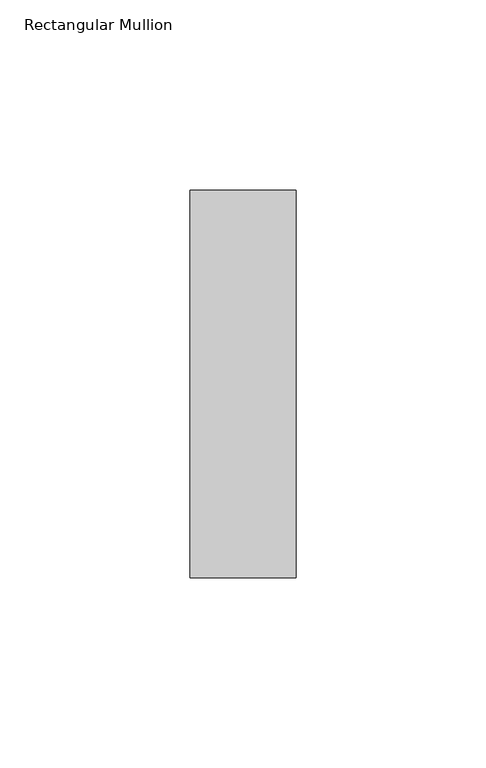
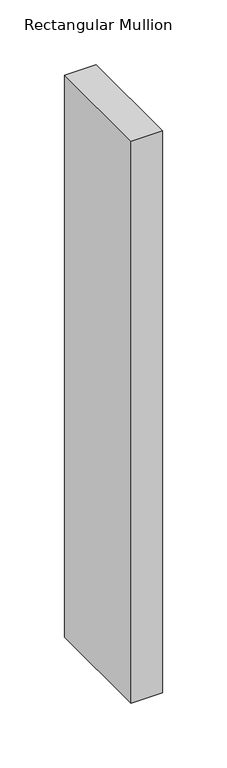
"""IFC4 building model written with IfcOpenShell, lengths in millimetres: member geometry, Rectangular Mullion."""

from ifc_helpers import new_model, si_unit, frame, origin, place, context, project, spatial, polyline, outline, extrude, source, transform, mapped, element, save


def rectangular_mullion_56d158cb(model_context):
    return source(origin(), model_context, "Body", "SweptSolid", [
        extrude(outline(polyline([(-28.0, -51.0), (-28.0, 51.0), (0.0, 51.0), (0.0, -51.0), (-28.0, -51.0)])), frame((0.0, 0.0, -528.804515), z_axis=(0.0, 0.0, 1.0), x_axis=(1.0, 0.0, 0.0)), (0.0, 0.0, 1.0), 528.804515),
    ])


if __name__ == "__main__":
    model = new_model("IFC4")
    model_context = context("Model", 3, world=origin())
    ifc_project = project(units=[si_unit("LENGTHUNIT", "METRE", prefix="MILLI")], contexts=[model_context])
    site = spatial("IfcSite", under=ifc_project)
    building = spatial("IfcBuilding", under=site)
    placement = place(None, origin())
    rectangular_mullion_shape = rectangular_mullion_56d158cb(model_context)
    element("IfcMember", 1, ObjectType="Rectangular Mullion", at=placement, inside=building, context=model_context, shape_type="MappedRepresentation", body=[
        mapped(rectangular_mullion_shape, transform((0.0, 0.0, 0.0), x_axis=(1.0, 0.0, 0.0), y_axis=(0.0, 1.0, 0.0), z_axis=(0.0, 0.0, 1.0))),
    ])
    save(model, "model.ifc")
